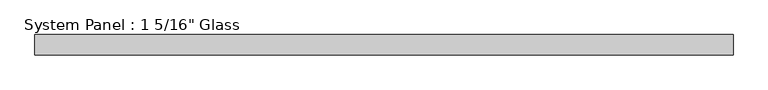
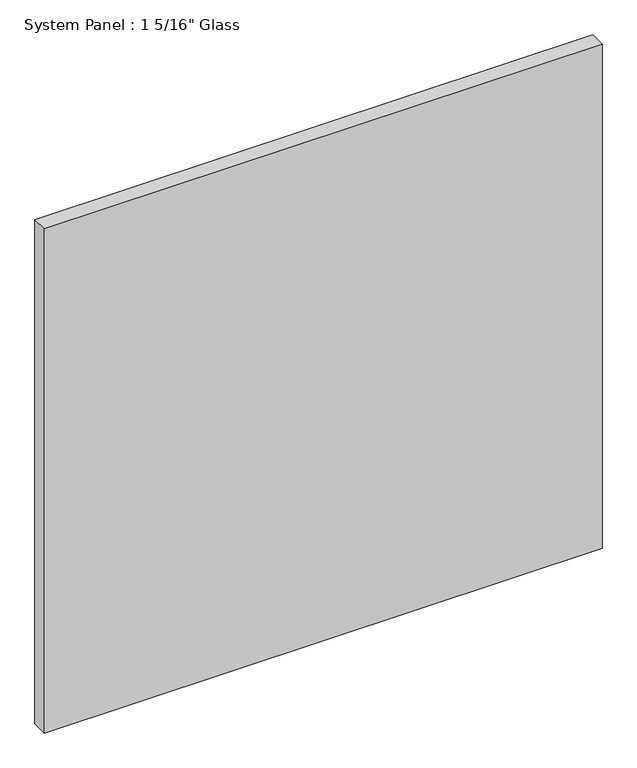
"""IFC4 building model written with IfcOpenShell, lengths in millimetres: plate geometry."""

from ifc_helpers import new_model, si_unit, origin, origin_with_axes, place, context, project, spatial, polyline, outline, extrude, source, transform, mapped, element, save


def plate_30303bd9(model_context):
    return source(origin(), model_context, "Body", "SweptSolid", [
        extrude(outline(polyline([(571.5, -16.66875), (-571.5, -16.66875), (-571.5, 16.66875), (571.5, 16.66875), (571.5, -16.66875)])), origin_with_axes(), (0.0, 0.0, 1.0), 1092.2),
    ])


if __name__ == "__main__":
    model = new_model("IFC4")
    model_context = context("Model", 3, world=origin())
    ifc_project = project(units=[si_unit("LENGTHUNIT", "METRE", prefix="MILLI")], contexts=[model_context])
    site = spatial("IfcSite", under=ifc_project)
    building = spatial("IfcBuilding", under=site)
    placement = place(None, origin())
    plate_shape = plate_30303bd9(model_context)
    element("IfcPlate", 1, ObjectType="System Panel : 1 5/16\" Glass", at=placement, inside=building, context=model_context, shape_type="MappedRepresentation", body=[
        mapped(plate_shape, transform((0.0, 0.0, 0.0), x_axis=(1.0, 0.0, 0.0), y_axis=(0.0, 1.0, 0.0), z_axis=(0.0, 0.0, 1.0))),
    ])
    save(model, "model.ifc")
